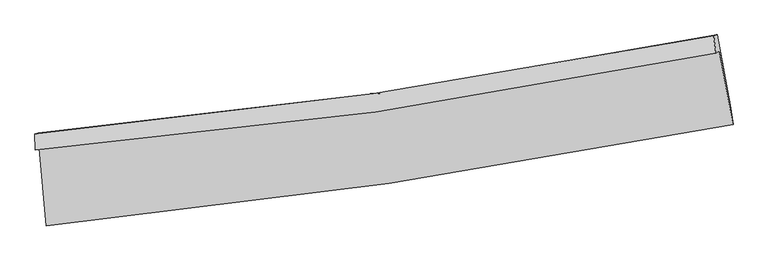
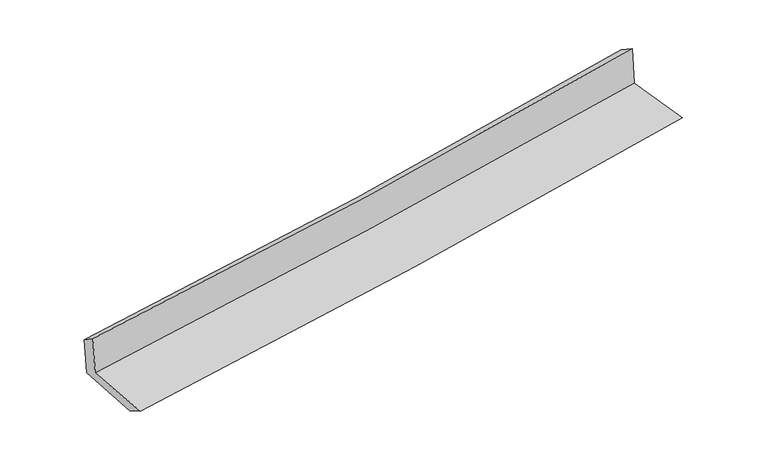
"""IFC4 building model written with IfcOpenShell, lengths in millimetres: proxy geometry."""

from ifc_helpers import new_model, si_unit, frame, origin, place, context, project, spatial, source, transform, mapped, element, save
from ifc_brep_helpers import plane_surface, spline_curve, spline_surface, advanced_brep


def generic_models_aac0bdf9(model_context):
    return source(origin(), model_context, "Body", "AdvancedBrep", [
        advanced_brep(
        [(-3052.1876512, -1905.4979441, 1620.5307331), (-2986.3752613, -2598.8979134, 1601.0986726), (3135.5124298, -1692.7189541, 2112.2266582), (3013.8015552, -1038.5087269, 2135.643261), (-3083.6273391, -1920.4086572, 2014.7343691), (2982.629572, -1056.4937627, 2530.050053), (-3088.6769957, -1777.5946584, 1916.5804625), (2961.8360363, -897.5839046, 2435.3622115), (-3058.2352448, -1769.7014944, 1542.1664233), (2993.7906656, -891.268723, 2056.4281288), (-2994.3898744, -2428.0387047, 1507.3714154), (3110.7574622, -1517.541309, 2028.8212031)],
        [
            (0, 1),
            (1, 2, spline_curve(3, [(-2986.3752613, -2598.8979134, 1601.0986726), (-1966.282989112, -2494.592228198, 1701.953900169), (-948.639418957, -2367.421103842, 1794.801329115), (1092.039700266, -2065.827299334, 1965.34047077), (2115.025360471, -1890.938770541, 2042.869037352), (3135.5124298, -1692.7189541, 2112.2266582)], [4, 2, 4], [0.0, 10.089415354259632, 20.28109074274426])),
            (2, 3),
            (3, 0, spline_curve(3, [(3013.8015552, -1038.5087269, 2135.643261), (2003.150097074, -1232.774799738, 2069.003163765), (989.762746084, -1402.397596358, 1992.491106421), (-1032.288282557, -1690.901957184, 1820.589819784), (-2040.897334184, -1810.275566833, 1725.397701559), (-3052.1876512, -1905.4979441, 1620.5307331)], [4, 2, 4], [0.0, 10.19167538848463, 20.28109074274426])),
            (4, 0),
            (3, 5),
            (5, 4, spline_curve(3, [(2982.629572, -1056.4937627, 2530.050053), (1973.019088903, -1260.409919708, 2466.257738371), (960.127066835, -1434.574646171, 2391.145291929), (-1062.02409144, -1721.952239885, 2219.147371716), (-2071.217706544, -1835.759145227, 2122.487923474), (-3083.6273391, -1920.4086572, 2014.7343691)], [4, 2, 4], [0.0, 10.142862463354717, 20.18395466587342])),
            (6, 4),
            (5, 7),
            (7, 6, spline_curve(3, [(2961.8360363, -897.5839046, 2435.3622115), (1955.152915853, -1096.812994975, 2361.285667271), (945.042449035, -1270.000886177, 2280.765274367), (-1071.863660891, -1562.817847841, 2107.709362218), (-2078.590871614, -1682.966874239, 2015.302505618), (-3088.6769957, -1777.5946584, 1916.5804625)], [4, 2, 4], [0.0, 10.132095316577875, 20.162528406451113])),
            (8, 6),
            (7, 9),
            (9, 8, spline_curve(3, [(2993.7906656, -891.268723, 2056.4281288), (1987.938587318, -1094.331426525, 1976.397486429), (978.114198646, -1269.293631855, 1893.295533431), (-1039.307085523, -1561.543481619, 1721.813640732), (-2046.824667, -1679.392200181, 1633.495025389), (-3058.2352448, -1769.7014944, 1542.1664233)], [4, 2, 4], [0.0, 10.121612762838032, 20.141668477586656])),
            (10, 8),
            (9, 11),
            (11, 10, spline_curve(3, [(3110.7574622, -1517.541309, 2028.8212031), (2094.917162415, -1721.218145302, 1947.408077595), (1075.652304891, -1899.184934446, 1863.013305695), (-959.465184282, -2202.170721563, 1689.137176338), (-1975.249438959, -2327.703064603, 1599.715352151), (-2994.3898744, -2428.0387047, 1507.3714154)], [4, 2, 4], [0.0, 10.169682718387657, 20.237326070017744])),
            (1, 10),
            (11, 2),
        ],
        [
            spline_surface(3, 3, [[(-3052.1876512, -1905.4979441, 1620.5307331), (-2040.897334029, -1810.275566692, 1725.397701567), (-1032.28828265, -1690.901957299, 1820.589819927), (989.762746178, -1402.397596242, 1992.491106277), (2003.150096982, -1232.774799881, 2069.003163867), (3013.8015552, -1038.5087269, 2135.643261)], [(-3030.250187899, -2136.631267198, 1614.053379604), (-2016.025885674, -2038.381120539, 1717.58310109), (-1004.40532804, -1916.408339463, 1811.993656266), (1023.855064156, -1623.540830593, 1983.440894473), (2040.44185145, -1452.162790124, 2060.291788317), (3054.371846736, -1256.578802628, 2127.837726715)], [(-3008.312724601, -2367.764590302, 1607.576026096), (-1991.154437321, -2266.486674393, 1709.768500599), (-976.522373422, -2141.914721673, 1803.397492643), (1057.947382143, -1844.684064988, 1974.390682707), (2077.733605911, -1671.550780382, 2051.580412821), (3094.942138264, -1474.648878372, 2120.032192485)], [(-2986.3752613, -2598.8979134, 1601.0986726), (-1966.282988966, -2494.592228239, 1701.953900122), (-948.639418813, -2367.421103838, 1794.801328982), (1092.03970012, -2065.827299338, 1965.340470903), (2115.025360379, -1890.938770625, 2042.869037271), (3135.5124298, -1692.7189541, 2112.2266582)]], [4, 4], [4, 2, 4], [0.0, 2.220665764343844], [0.0, 10.089415354259632, 20.28109074274426]),
            spline_surface(3, 3, [[(-3083.6273391, -1920.4086572, 2014.7343691), (-2071.217706691, -1835.759145137, 2122.487923638), (-1062.024091553, -1721.952239984, 2219.147371724), (960.127066949, -1434.574646071, 2391.145291921), (1973.01908884, -1260.409919743, 2466.257738478), (2982.629572, -1056.4937627, 2530.050053)], [(-3073.147443128, -1915.438419479, 1883.3331571), (-2061.110915798, -1827.264618967, 1990.124516281), (-1052.112155268, -1711.602145771, 2086.294854471), (970.005626677, -1423.84896281, 2258.260563386), (1983.062758199, -1251.198213122, 2333.839546954), (2993.020233045, -1050.498750765, 2398.581122346)], [(-3062.667547172, -1910.468181821, 1751.9319451), (-2051.004124921, -1818.770092862, 1857.761108925), (-1042.200218935, -1701.252051511, 1953.44233718), (979.884186451, -1413.123279503, 2125.375834812), (1993.106427623, -1241.986506503, 2201.421355391), (3003.410894155, -1044.503738835, 2267.112191654)], [(-3052.1876512, -1905.4979441, 1620.5307331), (-2040.897334029, -1810.275566692, 1725.397701567), (-1032.28828265, -1690.901957299, 1820.589819927), (989.762746178, -1402.397596242, 1992.491106277), (2003.150096982, -1232.774799881, 2069.003163867), (3013.8015552, -1038.5087269, 2135.643261)]], [4, 4], [4, 2, 4], [0.0, 1.31548144372039], [0.0, 10.041092202518701, 20.18395466587342]),
            spline_surface(3, 3, [[(-3088.6769957, -1777.5946584, 1916.5804625), (-2078.590871523, -1682.966874284, 2015.302505669), (-1071.863660971, -1562.817847708, 2107.709362286), (945.042449115, -1270.000886312, 2280.765274299), (1955.152915921, -1096.81299498, 2361.28566732), (2961.8360363, -897.5839046, 2435.3622115)], [(-3086.993776843, -1825.199324673, 1949.298431372), (-2076.133149922, -1733.897631242, 2051.03097833), (-1068.583804484, -1615.862645128, 2144.855365402), (950.070655074, -1324.858806227, 2317.558613477), (1961.108306899, -1151.345303244, 2396.276357692), (2968.767214872, -950.55385731, 2466.924825319)], [(-3085.310557957, -1872.803990927, 1982.016400228), (-2073.675428292, -1784.828388179, 2086.759450977), (-1065.30394804, -1668.907442563, 2182.001368608), (955.098860991, -1379.716726156, 2354.351952743), (1967.063697862, -1205.877611479, 2431.267048106), (2975.698393428, -1003.52380999, 2498.487439181)], [(-3083.6273391, -1920.4086572, 2014.7343691), (-2071.217706691, -1835.759145137, 2122.487923638), (-1062.024091553, -1721.952239984, 2219.147371724), (960.127066949, -1434.574646071, 2391.145291921), (1973.01908884, -1260.409919743, 2466.257738478), (2982.629572, -1056.4937627, 2530.050053)]], [4, 4], [4, 2, 4], [0.0, 0.6450922043832829], [0.0, 10.030433089873238, 20.162528406451113]),
            spline_surface(3, 3, [[(-3058.2352448, -1769.7014944, 1542.1664233), (-2046.824666838, -1679.392200255, 1633.495025435), (-1039.307085462, -1561.543481672, 1721.81364088), (978.114198584, -1269.293631802, 1893.295533282), (1987.938587298, -1094.331426609, 1976.397486349), (2993.7906656, -891.268723, 2056.4281288)], [(-3068.38249507, -1772.332549052, 1666.971103016), (-2057.413401703, -1680.58375825, 1760.764185496), (-1050.159277323, -1561.968270332, 1850.445548046), (967.090282069, -1269.529383287, 2022.452113651), (1977.010030168, -1095.158616051, 2104.693546676), (2983.139122496, -893.373783518, 2182.739489703)], [(-3078.52974543, -1774.963603748, 1791.775782784), (-2068.002136657, -1681.775316289, 1888.033345608), (-1061.01146911, -1562.393059047, 1979.07745512), (956.066365629, -1269.765134827, 2151.60869393), (1966.081473051, -1095.985805539, 2232.989606993), (2972.487579404, -895.478844082, 2309.050850597)], [(-3088.6769957, -1777.5946584, 1916.5804625), (-2078.590871523, -1682.966874284, 2015.302505669), (-1071.863660971, -1562.817847708, 2107.709362286), (945.042449115, -1270.000886312, 2280.765274299), (1955.152915921, -1096.81299498, 2361.28566732), (2961.8360363, -897.5839046, 2435.3622115)]], [4, 4], [4, 2, 4], [0.0, 1.2732338524053743], [0.0, 10.020055714748624, 20.141668477586656]),
            spline_surface(3, 3, [[(-2994.3898744, -2428.0387047, 1507.3714154), (-1975.249439122, -2327.703064595, 1599.715352215), (-959.465184344, -2202.170721681, 1689.137176267), (1075.652304954, -1899.184934327, 1863.013305766), (2094.917162339, -1721.218145345, 1947.408077637), (3110.7574622, -1517.541309, 2028.8212031)], [(-3015.671664538, -2208.592967938, 1518.969751358), (-1999.107848366, -2111.599443154, 1610.97524328), (-986.079151354, -1988.628308351, 1700.029331133), (1043.13960286, -1689.221166825, 1873.1073816), (2059.257637323, -1512.255905762, 1957.071213871), (3071.768529998, -1308.783780329, 2038.023511663)], [(-3036.953454662, -1989.147231162, 1530.568087342), (-2022.966257595, -1895.495821697, 1622.23513437), (-1012.693118452, -1775.085895002, 1710.921486014), (1010.626900678, -1479.257399304, 1883.201457448), (2023.598112314, -1303.293666193, 1966.734350115), (3032.779597802, -1100.026251671, 2047.225820237)], [(-3058.2352448, -1769.7014944, 1542.1664233), (-2046.824666838, -1679.392200255, 1633.495025435), (-1039.307085462, -1561.543481672, 1721.81364088), (978.114198584, -1269.293631802, 1893.295533282), (1987.938587298, -1094.331426609, 1976.397486349), (2993.7906656, -891.268723, 2056.4281288)]], [4, 4], [4, 2, 4], [0.0, 2.106794208987415], [0.0, 10.067643351630087, 20.237326070017744]),
            spline_surface(3, 3, [[(-2986.3752613, -2598.8979134, 1601.0986726), (-1966.282988966, -2494.592228239, 1701.953900122), (-948.639418813, -2367.421103838, 1794.801328982), (1092.03970012, -2065.827299338, 1965.340470903), (2115.025360379, -1890.938770625, 2042.869037271), (3135.5124298, -1692.7189541, 2112.2266582)], [(-2989.046799021, -2541.94484386, 1569.85625355), (-1969.271805706, -2438.962507051, 1667.87438417), (-952.248007323, -2312.337643135, 1759.579944748), (1086.577235065, -2010.279844351, 1931.231415862), (2108.32262772, -1834.365228882, 2011.048717412), (3127.260773954, -1634.32640575, 2084.424839853)], [(-2991.718336679, -2484.99177424, 1538.61383445), (-1972.260622383, -2383.332785783, 1633.794868167), (-955.856595834, -2257.254182384, 1724.358560501), (1081.114770009, -1954.732389315, 1897.122360808), (2101.619894998, -1777.791687088, 1979.228397496), (3119.009118046, -1575.93385735, 2056.623021447)], [(-2994.3898744, -2428.0387047, 1507.3714154), (-1975.249439122, -2327.703064595, 1599.715352215), (-959.465184344, -2202.170721681, 1689.137176267), (1075.652304954, -1899.184934327, 1863.013305766), (2094.917162339, -1721.218145345, 1947.408077637), (3110.7574622, -1517.541309, 2028.8212031)]], [4, 4], [4, 2, 4], [0.0, 0.6440649639396909], [0.0, 10.126361912014596, 20.355358325567494]),
            plane_surface(frame((3033.0546202, -1182.3525634, 2216.4219193), z_axis=(0.9800660629882165, 0.17926872430214574, 0.08563431943945575), x_axis=(-0.08401784426642349, -0.016604415436553097, 0.9963258981040458))),
            plane_surface(frame((-3043.9153944, -2066.6898954, 1700.4136793), z_axis=(-0.9923376617198704, -0.09187000619347253, -0.08261880593637239), x_axis=(-0.09445120477842503, 0.9951387966662727, 0.027888085009678133))),
        ],
        [
            (0, [[1, 2, 3, 4]]),
            (1, [[5, -4, 6, 7]]),
            (2, [[8, -7, 9, 10]]),
            (3, [[11, -10, 12, 13]]),
            (4, [[14, -13, 15, 16]]),
            (5, [[17, -16, 18, -2]]),
            (6, [[-12, -9, -6, -3, -18, -15]]),
            (7, [[-1, -5, -8, -11, -14, -17]]),
        ],
    ),
    ])


if __name__ == "__main__":
    model = new_model("IFC4")
    model_context = context("Model", 3, world=origin())
    ifc_project = project(units=[si_unit("LENGTHUNIT", "METRE", prefix="MILLI")], contexts=[model_context])
    site = spatial("IfcSite", under=ifc_project)
    building = spatial("IfcBuilding", under=site)
    placement = place(None, origin())
    generic_models_shape = generic_models_aac0bdf9(model_context)
    element("IfcBuildingElementProxy", 1, Name="Generic Models", at=placement, inside=building, context=model_context, shape_type="MappedRepresentation", body=[
        mapped(generic_models_shape, transform((0.0, 0.0, 0.0), x_axis=(1.0, 0.0, 0.0), y_axis=(0.0, 1.0, 0.0), z_axis=(0.0, 0.0, 1.0))),
    ])
    save(model, "model.ifc")
